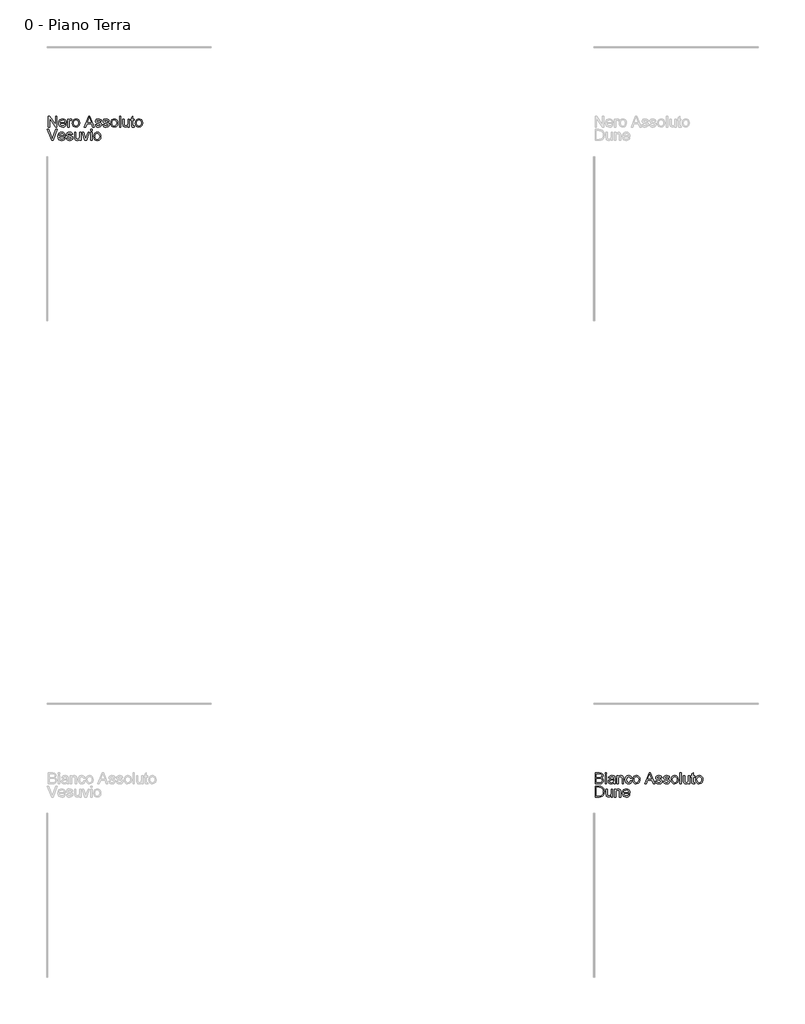
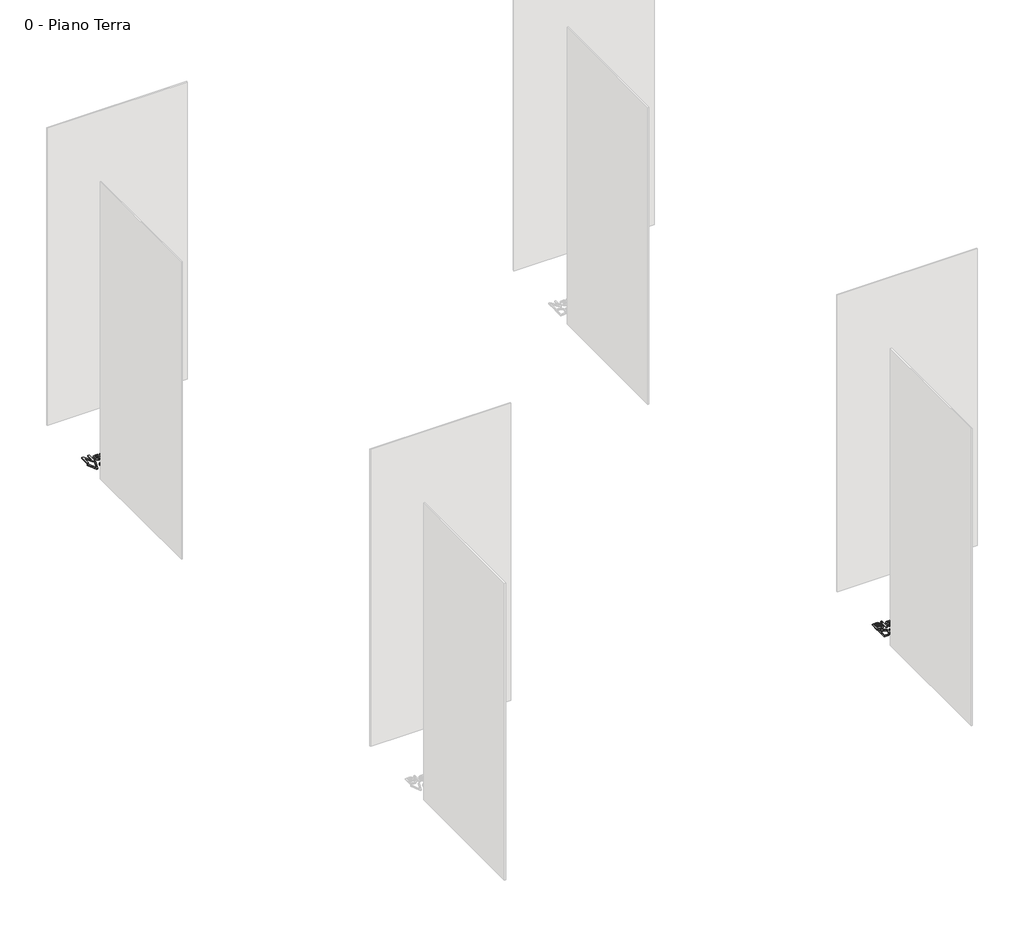
# One storey, part 17 of 35: 2 proxies.
"""IFC4 building model written with IfcOpenShell, lengths in millimetres."""

from ifc_helpers import new_model, si_unit, origin, origin_with_axes, place, context, project, spatial, polyline, outline, extrude, element, save

model = new_model("IFC4")

# Units and contexts
model_context = context("Model", 3, world=origin())
ifc_project = project(units=[si_unit("LENGTHUNIT", "METRE", prefix="MILLI")], contexts=[model_context])

# Site, building, storey
site = spatial("IfcSite", under=ifc_project)
building = spatial("IfcBuilding", under=site)
storey = spatial("IfcBuildingStorey", under=building, Name="0 - Piano Terra", Elevation=0.0)

# Proxies
placement = place(None, origin())
element("IfcBuildingElementProxy", 1, Name="Testo modello 1", ObjectType="Testo modello 1", at=placement, inside=storey, context=model_context, shape_type="SweptSolid", body=[
    extrude(outline(polyline([(-7268.2707509, -273.7592352), (-7268.2707509, -173.302925), (-7254.8307954, -173.302925), (-7202.3462974, -252.8880633), (-7202.3462974, -173.302925), (-7189.7892586, -173.302925), (-7189.7892586, -273.7592352), (-7203.2292142, -273.7592352), (-7255.7137122, -194.1495714), (-7255.7137122, -273.7592352), (-7268.2707509, -273.7592352)])), origin_with_axes(), (0.0, 0.0, 1.0), 10.0),
    extrude(outline(polyline([(-7117.7334385, -251.7844173), (-7105.4216544, -253.3540472), (-7109.8576981, -262.6308048), (-7116.9363608, -269.5653804), (-7126.498227, -273.8879938), (-7138.3838812, -275.328865), (-7153.1175551, -272.8425958), (-7164.4544519, -265.3837884), (-7171.6833331, -253.4368206), (-7174.0929602, -237.4860704), (-7171.6588076, -220.9988257), (-7164.35635, -208.6686475), (-7153.1727374, -200.9799138), (-7139.0951197, -198.4170025), (-7125.4558947, -200.9737824), (-7114.5573906, -208.644122), (-7107.4112829, -220.9497747), (-7105.0292469, -237.412494), (-7105.1028233, -240.7970084), (-7161.5359214, -240.7970084), (-7159.3623519, -250.1963934), (-7154.3131716, -257.1064435), (-7147.0260424, -261.3554805), (-7138.1386265, -262.7718262), (-7125.8268424, -260.1476013), (-7117.7334385, -251.7844173)]), holes=[polyline([(-7161.5359214, -228.2399696), (-7117.5862857, -228.2399696), (-7122.6140063, -216.8601532), (-7129.934858, -212.4455693), (-7139.1441706, -210.9740413), (-7154.6074771, -215.6706681), (-7159.4727165, -221.1613069), (-7161.5359214, -228.2399696)])]), origin_with_axes(), (0.0, 0.0, 1.0), 10.0),
    extrude(outline(polyline([(-7092.4722082, -273.7592352), (-7092.4722082, -199.9866324), (-7081.4847992, -199.9866324), (-7081.4847992, -210.9004649), (-7073.6857009, -200.8450237), (-7065.8375517, -198.4170025), (-7053.231462, -202.2920262), (-7057.4253168, -213.5492153), (-7066.2544846, -210.9740413), (-7073.3546071, -213.4511134), (-7077.8795557, -220.318244), (-7079.9151694, -234.9844729), (-7079.9151694, -273.7592352), (-7092.4722082, -273.7592352)])), origin_with_axes(), (0.0, 0.0, 1.0), 10.0),
    extrude(outline(polyline([(-7048.5225725, -236.8729338), (-7045.8063771, -219.0858393), (-7037.6577909, -206.5839828), (-7027.5900869, -200.4587476), (-7015.5358202, -198.4170025), (-7002.344185, -200.9032717), (-6991.8074315, -208.3620791), (-6984.9004471, -220.2048137), (-6982.5981189, -235.8428642), (-6986.6693463, -258.185564), (-6998.5274093, -270.8284419), (-7015.5358202, -275.328865), (-7028.886871, -272.8517929), (-7039.4113617, -265.4205766), (-7046.2447698, -253.3295217), (-7048.5225725, -236.8729338)]), holes=[polyline([(-7035.9655337, -236.8484083), (-7034.5123998, -248.2128963), (-7030.1529982, -256.3093658), (-7023.5924359, -261.1562111), (-7015.5358202, -262.7718262), (-7007.5159927, -261.1470141), (-7000.9676932, -256.2725776), (-6996.6082916, -248.0688092), (-6995.1551577, -236.4560008), (-6996.6174886, -225.4226067), (-7001.0044814, -217.4365017), (-7007.561978, -212.5896564), (-7015.5358202, -210.9740413), (-7023.5924359, -212.583525), (-7030.1529982, -217.4119762), (-7034.5123998, -225.4900517), (-7035.9655337, -236.8484083)])]), origin_with_axes(), (0.0, 0.0, 1.0), 10.0),
    extrude(outline(polyline([(-6939.3597218, -273.7592352), (-6899.2605843, -173.302925), (-6888.567481, -173.302925), (-6848.4683435, -273.7592352), (-6861.7366208, -273.7592352), (-6873.2390645, -242.3666382), (-6914.6135262, -242.3666382), (-6926.0914445, -273.7592352), (-6939.3597218, -273.7592352)]), holes=[polyline([(-6910.0027386, -229.8095995), (-6877.8253267, -229.8095995), (-6886.8752238, -205.1124549), (-6893.9140326, -185.8599638), (-6900.1680266, -202.9542138), (-6910.0027386, -229.8095995)])]), origin_with_axes(), (0.0, 0.0, 1.0), 10.0),
    extrude(outline(polyline([(-6841.3314328, -251.7844173), (-6828.774394, -250.2147875), (-6822.9618585, -259.5344647), (-6809.6445303, -262.7718262), (-6796.8422368, -259.8042448), (-6792.6729076, -252.8390124), (-6796.8667623, -247.1981551), (-6809.7916831, -243.617437), (-6828.7008176, -237.4738077), (-6836.953637, -230.3001088), (-6839.7618029, -220.1710912), (-6837.50546, -210.8146258), (-6831.349568, -203.6654523), (-6823.3665287, -199.9498442), (-6812.5630608, -198.4170025), (-6797.2836952, -200.8818119), (-6787.5716106, -207.5527388), (-6783.2551285, -218.8221905), (-6795.8121673, -220.3918204), (-6800.5333195, -213.4633761), (-6811.5820421, -210.9740413), (-6823.5995206, -213.3530115), (-6827.2047642, -218.8957669), (-6825.7087107, -222.5500614), (-6821.0243467, -225.3214391), (-6810.208616, -227.994715), (-6791.777728, -233.9053523), (-6783.2183403, -240.6008047), (-6780.1158688, -251.5146372), (-6783.7579005, -263.5321157), (-6794.2670629, -272.250919), (-6809.8162085, -275.328865), (-6822.4774805, -273.8450743), (-6831.71745, -269.3937021), (-6837.8856048, -262.0237995), (-6841.3314328, -251.7844173)])), origin_with_axes(), (0.0, 0.0, 1.0), 10.0),
    extrude(outline(polyline([(-6770.6980897, -251.7844173), (-6758.1410509, -250.2147875), (-6752.3285154, -259.5344647), (-6739.0111872, -262.7718262), (-6726.2088938, -259.8042448), (-6722.0395645, -252.8390124), (-6726.2334192, -247.1981551), (-6739.15834, -243.617437), (-6758.0674745, -237.4738077), (-6766.320294, -230.3001088), (-6769.1284599, -220.1710912), (-6766.872117, -210.8146258), (-6760.7162249, -203.6654523), (-6752.7331856, -199.9498442), (-6741.9297177, -198.4170025), (-6726.6503522, -200.8818119), (-6716.9382675, -207.5527388), (-6712.6217854, -218.8221905), (-6725.1788242, -220.3918204), (-6729.8999764, -213.4633761), (-6740.948699, -210.9740413), (-6752.9661775, -213.3530115), (-6756.5714211, -218.8957669), (-6755.0753677, -222.5500614), (-6750.3910036, -225.3214391), (-6739.5752729, -227.994715), (-6721.144385, -233.9053523), (-6712.5849972, -240.6008047), (-6709.4825257, -251.5146372), (-6713.1245575, -263.5321157), (-6723.6337198, -272.250919), (-6739.1828655, -275.328865), (-6751.8441375, -273.8450743), (-6761.0841069, -269.3937021), (-6767.2522617, -262.0237995), (-6770.6980897, -251.7844173)])), origin_with_axes(), (0.0, 0.0, 1.0), 10.0),
    extrude(outline(polyline([(-6698.4951168, -236.8729338), (-6695.7789214, -219.0858393), (-6687.6303352, -206.5839828), (-6677.5626313, -200.4587476), (-6665.5083646, -198.4170025), (-6652.3167293, -200.9032717), (-6641.7799759, -208.3620791), (-6634.8729914, -220.2048137), (-6632.5706633, -235.8428642), (-6636.6418907, -258.185564), (-6648.4999537, -270.8284419), (-6665.5083646, -275.328865), (-6678.8594153, -272.8517929), (-6689.383906, -265.4205766), (-6696.2173141, -253.3295217), (-6698.4951168, -236.8729338)]), holes=[polyline([(-6685.938078, -236.8484083), (-6684.4849441, -248.2128963), (-6680.1255425, -256.3093658), (-6673.5649803, -261.1562111), (-6665.5083646, -262.7718262), (-6657.4885371, -261.1470141), (-6650.9402376, -256.2725776), (-6646.5808359, -248.0688092), (-6645.127702, -236.4560008), (-6646.590033, -225.4226067), (-6650.9770258, -217.4365017), (-6657.5345223, -212.5896564), (-6665.5083646, -210.9740413), (-6673.5649803, -212.583525), (-6680.1255425, -217.4119762), (-6684.4849441, -225.4900517), (-6685.938078, -236.8484083)])]), origin_with_axes(), (0.0, 0.0, 1.0), 10.0),
    extrude(outline(polyline([(-6618.4439946, -273.7592352), (-6618.4439946, -173.302925), (-6605.8869559, -173.302925), (-6605.8869559, -273.7592352), (-6618.4439946, -273.7592352)])), origin_with_axes(), (0.0, 0.0, 1.0), 10.0),
    extrude(outline(polyline([(-6539.9625023, -273.7592352), (-6539.9625023, -261.0795691), (-6549.7972143, -271.766541), (-6562.6240332, -275.328865), (-6574.4330453, -272.8272674), (-6582.5755001, -266.548748), (-6586.3156337, -257.3026472), (-6587.0513977, -245.6285253), (-6587.0513977, -199.9866324), (-6574.494359, -199.9866324), (-6574.494359, -239.7178879), (-6573.7340695, -252.5201813), (-6568.7676626, -260.0372367), (-6559.4111972, -262.7718262), (-6548.9265603, -259.9759231), (-6541.998116, -252.3607658), (-6539.9625023, -238.3689872), (-6539.9625023, -199.9866324), (-6527.4054636, -199.9866324), (-6527.4054636, -273.7592352), (-6539.9625023, -273.7592352)])), origin_with_axes(), (0.0, 0.0, 1.0), 10.0),
    extrude(outline(polyline([(-6483.4558279, -263.286861), (-6481.886198, -274.1271171), (-6491.2794516, -275.328865), (-6501.8008767, -273.2442004), (-6507.0493265, -267.7750214), (-6508.5699054, -253.5257254), (-6508.5699054, -212.5436712), (-6517.9876845, -212.5436712), (-6517.9876845, -199.9866324), (-6508.5699054, -199.9866324), (-6508.5699054, -182.0585165), (-6496.0128666, -174.6763511), (-6496.0128666, -199.9866324), (-6483.4558279, -199.9866324), (-6483.4558279, -212.5436712), (-6496.0128666, -212.5436712), (-6496.0128666, -253.1578434), (-6495.3506791, -259.6325665), (-6493.2047008, -261.9256976), (-6488.9250069, -262.7718262), (-6483.4558279, -263.286861)])), origin_with_axes(), (0.0, 0.0, 1.0), 10.0),
    extrude(outline(polyline([(-6474.0380488, -236.8729338), (-6471.3218534, -219.0858393), (-6463.1732672, -206.5839828), (-6453.1055633, -200.4587476), (-6441.0512966, -198.4170025), (-6427.8596614, -200.9032717), (-6417.3229079, -208.3620791), (-6410.4159234, -220.2048137), (-6408.1135953, -235.8428642), (-6412.1848227, -258.185564), (-6424.0428857, -270.8284419), (-6441.0512966, -275.328865), (-6454.4023473, -272.8517929), (-6464.9268381, -265.4205766), (-6471.7602461, -253.3295217), (-6474.0380488, -236.8729338)]), holes=[polyline([(-6461.48101, -236.8484083), (-6460.0278762, -248.2128963), (-6455.6684745, -256.3093658), (-6449.1079123, -261.1562111), (-6441.0512966, -262.7718262), (-6433.0314691, -261.1470141), (-6426.4831696, -256.2725776), (-6422.1237679, -248.0688092), (-6420.670634, -236.4560008), (-6422.132965, -225.4226067), (-6426.5199578, -217.4365017), (-6433.0774543, -212.5896564), (-6441.0512966, -210.9740413), (-6449.1079123, -212.583525), (-6455.6684745, -217.4119762), (-6460.0278762, -225.4900517), (-6461.48101, -236.8484083)])]), origin_with_axes(), (0.0, 0.0, 1.0), 10.0),
    extrude(outline(polyline([(-7238.5949366, -395.734053), (-7278.5714468, -295.2777428), (-7265.1314912, -295.2777428), (-7238.3742074, -367.652394), (-7232.9540794, -383.9618292), (-7227.6075277, -367.652394), (-7200.7766675, -295.2777428), (-7187.336712, -295.2777428), (-7225.620965, -395.734053), (-7238.5949366, -395.734053)])), origin_with_axes(), (0.0, 0.0, 1.0), 10.0),
    extrude(outline(polyline([(-7125.5815877, -373.7592352), (-7113.2698036, -375.328865), (-7117.7058473, -384.6056226), (-7124.7845101, -391.5401983), (-7134.3463763, -395.8628117), (-7146.2320304, -397.3036828), (-7160.9657043, -394.8174137), (-7172.3026011, -387.3586062), (-7179.5314823, -375.4116384), (-7181.9411094, -359.4608883), (-7179.5069569, -342.9736435), (-7172.2044993, -330.6434653), (-7161.0208866, -322.9547316), (-7146.9432689, -320.3918204), (-7133.3040439, -322.9486003), (-7122.4055398, -330.6189399), (-7115.2594321, -342.9245926), (-7112.8773962, -359.3873119), (-7112.9509726, -362.7718262), (-7169.3840706, -362.7718262), (-7167.2105012, -372.1712112), (-7162.1613208, -379.0812613), (-7154.8741916, -383.3302984), (-7145.9867757, -384.7466441), (-7133.6749916, -382.1224192), (-7125.5815877, -373.7592352)]), holes=[polyline([(-7169.3840706, -350.2147875), (-7125.4344349, -350.2147875), (-7130.4621555, -338.8349711), (-7137.7830072, -334.4203871), (-7146.9923198, -332.9488592), (-7162.4556264, -337.645486), (-7167.3208658, -343.1361247), (-7169.3840706, -350.2147875)])]), origin_with_axes(), (0.0, 0.0, 1.0), 10.0),
    extrude(outline(polyline([(-7105.0292469, -373.7592352), (-7092.4722082, -372.1896053), (-7086.6596726, -381.5092825), (-7073.3423444, -384.7466441), (-7060.540051, -381.7790626), (-7056.3707217, -374.8138302), (-7060.5645764, -369.1729729), (-7073.4894972, -365.5922549), (-7092.3986318, -359.4486255), (-7100.6514512, -352.2749266), (-7103.4596171, -342.145909), (-7101.2032742, -332.7894436), (-7095.0473821, -325.6402702), (-7087.0643428, -321.924662), (-7076.2608749, -320.3918204), (-7060.9815094, -322.8566298), (-7051.2694247, -329.5275566), (-7046.9529426, -340.7970084), (-7059.5099814, -342.3666382), (-7064.2311337, -335.438194), (-7075.2798563, -332.9488592), (-7087.2973348, -335.3278294), (-7090.9025783, -340.8705848), (-7089.4065249, -344.5248793), (-7084.7221608, -347.296257), (-7073.9064301, -349.9695328), (-7055.4755422, -355.8801702), (-7046.9161544, -362.5756225), (-7043.8136829, -373.489455), (-7047.4557147, -385.5069335), (-7057.964877, -394.2257368), (-7073.5140227, -397.3036828), (-7086.1752947, -395.8198921), (-7095.4152641, -391.36852), (-7101.5834189, -383.9986174), (-7105.0292469, -373.7592352)])), origin_with_axes(), (0.0, 0.0, 1.0), 10.0),
    extrude(outline(polyline([(-6982.5981189, -395.734053), (-6982.5981189, -383.0543869), (-6992.4328309, -393.7413589), (-7005.2596498, -397.3036828), (-7017.0686619, -394.8020853), (-7025.2111167, -388.5235659), (-7028.9512503, -379.2774651), (-7029.6870143, -367.6033431), (-7029.6870143, -321.9614502), (-7017.1299756, -321.9614502), (-7017.1299756, -361.6927057), (-7016.3696861, -374.4949991), (-7011.4032792, -382.0120546), (-7002.0468137, -384.7466441), (-6991.5621769, -381.9507409), (-6984.6337326, -374.3355836), (-6982.5981189, -360.3438051), (-6982.5981189, -321.9614502), (-6970.0410802, -321.9614502), (-6970.0410802, -395.734053), (-6982.5981189, -395.734053)])), origin_with_axes(), (0.0, 0.0, 1.0), 10.0),
    extrude(outline(polyline([(-6934.6753577, -395.734053), (-6960.6233011, -321.9614502), (-6947.3304983, -321.9614502), (-6931.6096744, -366.1563406), (-6926.8762594, -381.0187732), (-6922.2409463, -366.9902064), (-6906.4220205, -321.9614502), (-6893.1292177, -321.9614502), (-6918.75833, -395.734053), (-6934.6753577, -395.734053)])), origin_with_axes(), (0.0, 0.0, 1.0), 10.0),
    extrude(outline(polyline([(-6882.1418088, -307.8347816), (-6882.1418088, -295.2777428), (-6869.58477, -295.2777428), (-6869.58477, -307.8347816), (-6882.1418088, -307.8347816)])), origin_with_axes(), (0.0, 0.0, 1.0), 10.0),
    extrude(outline(polyline([(-6882.1418088, -395.734053), (-6882.1418088, -321.9614502), (-6869.58477, -321.9614502), (-6869.58477, -395.734053), (-6882.1418088, -395.734053)])), origin_with_axes(), (0.0, 0.0, 1.0), 10.0),
    extrude(outline(polyline([(-6853.8884716, -358.8477516), (-6851.1722762, -341.0606571), (-6843.02369, -328.5588007), (-6832.955986, -322.4335655), (-6820.9017193, -320.3918204), (-6807.7100841, -322.8780895), (-6797.1733306, -330.336897), (-6790.2663462, -342.1796315), (-6787.964018, -357.817682), (-6792.0352454, -380.1603819), (-6803.8933084, -392.8032598), (-6820.9017193, -397.3036828), (-6834.2527701, -394.8266107), (-6844.7772608, -387.3953944), (-6851.6106689, -375.3043395), (-6853.8884716, -358.8477516)]), holes=[polyline([(-6841.3314328, -358.8232261), (-6839.8782989, -370.1877141), (-6835.5188973, -378.2841837), (-6828.958335, -383.131029), (-6820.9017193, -384.7466441), (-6812.8818918, -383.1218319), (-6806.3335923, -378.2473955), (-6801.9741907, -370.043627), (-6800.5210568, -358.4308187), (-6801.9833877, -347.3974245), (-6806.3703805, -339.4113195), (-6812.9278771, -334.5644742), (-6820.9017193, -332.9488592), (-6828.958335, -334.5583429), (-6835.5188973, -339.3867941), (-6839.8782989, -347.4648695), (-6841.3314328, -358.8232261)])]), origin_with_axes(), (0.0, 0.0, 1.0), 10.0),
])
element("IfcBuildingElementProxy", 2, Name="Testo modello 1", ObjectType="Testo modello 1", at=placement, inside=storey, context=model_context, shape_type="SweptSolid", body=[
    extrude(outline(polyline([(-2268.2707509, -6273.7592352), (-2268.2707509, -6173.302925), (-2229.937447, -6173.302925), (-2211.1632025, -6176.2582437), (-2200.0776918, -6185.344929), (-2196.067778, -6198.1962733), (-2199.4400296, -6209.931709), (-2209.6303609, -6218.8221905), (-2197.2572631, -6228.1909187), (-2192.9285183, -6243.8136407), (-2195.883837, -6257.31491), (-2203.2046887, -6266.9288928), (-2214.130784, -6272.0301898), (-2230.2317526, -6273.7592352), (-2268.2707509, -6273.7592352)]), holes=[polyline([(-2255.7137122, -6214.113301), (-2232.7824011, -6214.113301), (-2219.3914965, -6213.0341805), (-2211.3348808, -6208.3866046), (-2208.6248168, -6200.2073616), (-2211.1509398, -6192.0158558), (-2218.3859524, -6187.1720762), (-2234.5237092, -6185.8599638), (-2255.7137122, -6185.8599638), (-2255.7137122, -6214.113301)]), polyline([(-2255.7137122, -6261.2021964), (-2229.9619725, -6261.2021964), (-2220.6422953, -6260.7116871), (-2212.7573579, -6257.9770976), (-2207.5334335, -6252.397554), (-2205.4855571, -6243.9362681), (-2207.8890528, -6234.1751325), (-2215.6758883, -6228.3503342), (-2231.1882458, -6226.6703398), (-2255.7137122, -6226.6703398), (-2255.7137122, -6261.2021964)])]), origin_with_axes(), (0.0, 0.0, 1.0), 10.0),
    extrude(outline(polyline([(-2177.2322199, -6185.8599638), (-2177.2322199, -6173.302925), (-2164.6751811, -6173.302925), (-2164.6751811, -6185.8599638), (-2177.2322199, -6185.8599638)])), origin_with_axes(), (0.0, 0.0, 1.0), 10.0),
    extrude(outline(polyline([(-2177.2322199, -6273.7592352), (-2177.2322199, -6199.9866324), (-2164.6751811, -6199.9866324), (-2164.6751811, -6273.7592352), (-2177.2322199, -6273.7592352)])), origin_with_axes(), (0.0, 0.0, 1.0), 10.0),
    extrude(outline(polyline([(-2098.7507275, -6264.3414561), (-2110.9276216, -6272.8517929), (-2124.3798399, -6275.328865), (-2134.8736738, -6273.8389429), (-2142.6145241, -6269.3691767), (-2147.387793, -6262.5817539), (-2148.9788826, -6254.1388621), (-2146.5753869, -6244.2060482), (-2140.2600793, -6236.9955611), (-2131.4676997, -6232.8752828), (-2120.6029181, -6230.9868218), (-2098.8243039, -6226.6703398), (-2098.7507275, -6223.8744366), (-2102.2088183, -6214.6038103), (-2116.0902323, -6210.9740413), (-2128.7944238, -6213.3897997), (-2134.852214, -6221.9614502), (-2147.4092528, -6220.3918204), (-2141.976862, -6208.1290872), (-2131.038504, -6200.9431256), (-2114.4715515, -6198.4170025), (-2099.2534996, -6200.64882), (-2090.6573237, -6206.252889), (-2086.8068254, -6214.7754886), (-2086.1936888, -6225.7628975), (-2086.1936888, -6241.3856196), (-2085.5560267, -6263.2010219), (-2083.0544291, -6273.7592352), (-2095.6114679, -6273.7592352), (-2098.7507275, -6264.3414561)]), holes=[polyline([(-2098.7507275, -6239.2273785), (-2119.0087627, -6243.0778768), (-2129.8122307, -6245.1134905), (-2134.7050612, -6248.4244284), (-2136.4218439, -6253.2559453), (-2132.6817102, -6260.0494995), (-2121.706564, -6262.7718262), (-2109.0023725, -6259.7674566), (-2100.8108667, -6252.4956558), (-2098.8243039, -6242.7835712), (-2098.7507275, -6239.2273785)])]), origin_with_axes(), (0.0, 0.0, 1.0), 10.0),
    extrude(outline(polyline([(-2068.9277605, -6273.7592352), (-2068.9277605, -6199.9866324), (-2056.3707217, -6199.9866324), (-2056.3707217, -6210.2873283), (-2046.7690016, -6201.384584), (-2033.6601399, -6198.4170025), (-2021.8020769, -6200.8082355), (-2013.708673, -6207.0867549), (-2009.9440139, -6216.320593), (-2009.2818263, -6228.4606988), (-2009.2818263, -6273.7592352), (-2021.8388651, -6273.7592352), (-2021.8388651, -6230.152956), (-2023.2858676, -6219.0429197), (-2028.3994273, -6213.1690705), (-2037.0201288, -6210.9740413), (-2050.6440253, -6215.90366), (-2054.9390476, -6223.0467021), (-2056.3707217, -6234.6165909), (-2056.3707217, -6273.7592352), (-2068.9277605, -6273.7592352)])), origin_with_axes(), (0.0, 0.0, 1.0), 10.0),
    extrude(outline(polyline([(-1944.9270026, -6247.0755278), (-1932.3699639, -6248.6451576), (-1935.8709742, -6259.8134419), (-1942.4499305, -6268.253268), (-1951.4875649, -6273.5599657), (-1962.3646092, -6275.328865), (-1975.7217913, -6272.8609899), (-1986.1665743, -6265.4573648), (-1992.9080119, -6253.442952), (-1995.1551577, -6237.1427139), (-1991.3169222, -6216.2838048), (-1979.6182748, -6202.8806374), (-1962.5362875, -6198.4170025), (-1951.9259576, -6199.9498442), (-1943.4432119, -6204.5483691), (-1937.3578306, -6211.9673227), (-1933.9395937, -6221.9614502), (-1946.4966325, -6223.5310801), (-1952.3214307, -6214.1255637), (-1962.4381856, -6210.9740413), (-1970.5530493, -6212.5252771), (-1976.9940499, -6217.1789843), (-1981.1971017, -6225.1865491), (-1982.5981189, -6236.7993574), (-1981.2277585, -6248.5685155), (-1977.1166772, -6256.6036714), (-1970.7921726, -6261.2297875), (-1962.7815421, -6262.7718262), (-1950.9480046, -6258.921328), (-1944.9270026, -6247.0755278)])), origin_with_axes(), (0.0, 0.0, 1.0), 10.0),
    extrude(outline(polyline([(-1924.5218146, -6236.8729338), (-1921.8056192, -6219.0858393), (-1913.657033, -6206.5839828), (-1903.5893291, -6200.4587476), (-1891.5350624, -6198.4170025), (-1878.3434272, -6200.9032717), (-1867.8066737, -6208.3620791), (-1860.8996892, -6220.2048137), (-1858.5973611, -6235.8428642), (-1862.6685885, -6258.185564), (-1874.5266515, -6270.8284419), (-1891.5350624, -6275.328865), (-1904.8861131, -6272.8517929), (-1915.4106039, -6265.4205766), (-1922.2440119, -6253.3295217), (-1924.5218146, -6236.8729338)]), holes=[polyline([(-1911.9647759, -6236.8484083), (-1910.511642, -6248.2128963), (-1906.1522403, -6256.3093658), (-1899.5916781, -6261.1562111), (-1891.5350624, -6262.7718262), (-1883.5152349, -6261.1470141), (-1876.9669354, -6256.2725776), (-1872.6075337, -6248.0688092), (-1871.1543999, -6236.4560008), (-1872.6167308, -6225.4226067), (-1877.0037236, -6217.4365017), (-1883.5612202, -6212.5896564), (-1891.5350624, -6210.9740413), (-1899.5916781, -6212.583525), (-1906.1522403, -6217.4119762), (-1910.511642, -6225.4900517), (-1911.9647759, -6236.8484083)])]), origin_with_axes(), (0.0, 0.0, 1.0), 10.0),
    extrude(outline(polyline([(-1815.3589639, -6273.7592352), (-1775.2598265, -6173.302925), (-1764.5667231, -6173.302925), (-1724.4675857, -6273.7592352), (-1737.7358629, -6273.7592352), (-1749.2383067, -6242.3666382), (-1790.6127684, -6242.3666382), (-1802.0906866, -6273.7592352), (-1815.3589639, -6273.7592352)]), holes=[polyline([(-1786.0019807, -6229.8095995), (-1753.8245689, -6229.8095995), (-1762.874466, -6205.1124549), (-1769.9132748, -6185.8599638), (-1776.1672687, -6202.9542138), (-1786.0019807, -6229.8095995)])]), origin_with_axes(), (0.0, 0.0, 1.0), 10.0),
    extrude(outline(polyline([(-1717.3306749, -6251.7844173), (-1704.7736362, -6250.2147875), (-1698.9611007, -6259.5344647), (-1685.6437724, -6262.7718262), (-1672.841479, -6259.8042448), (-1668.6721497, -6252.8390124), (-1672.8660045, -6247.1981551), (-1685.7909252, -6243.617437), (-1704.7000598, -6237.4738077), (-1712.9528792, -6230.3001088), (-1715.7610451, -6220.1710912), (-1713.5047022, -6210.8146258), (-1707.3488101, -6203.6654523), (-1699.3657708, -6199.9498442), (-1688.5623029, -6198.4170025), (-1673.2829374, -6200.8818119), (-1663.5708527, -6207.5527388), (-1659.2543706, -6218.8221905), (-1671.8114094, -6220.3918204), (-1676.5325617, -6213.4633761), (-1687.5812843, -6210.9740413), (-1699.5987628, -6213.3530115), (-1703.2040063, -6218.8957669), (-1701.7079529, -6222.5500614), (-1697.0235888, -6225.3214391), (-1686.2078582, -6227.994715), (-1667.7769702, -6233.9053523), (-1659.2175824, -6240.6008047), (-1656.115111, -6251.5146372), (-1659.7571427, -6263.5321157), (-1670.266305, -6272.250919), (-1685.8154507, -6275.328865), (-1698.4767227, -6273.8450743), (-1707.7166921, -6269.3937021), (-1713.8848469, -6262.0237995), (-1717.3306749, -6251.7844173)])), origin_with_axes(), (0.0, 0.0, 1.0), 10.0),
    extrude(outline(polyline([(-1646.6973319, -6251.7844173), (-1634.1402931, -6250.2147875), (-1628.3277576, -6259.5344647), (-1615.0104294, -6262.7718262), (-1602.2081359, -6259.8042448), (-1598.0388066, -6252.8390124), (-1602.2326614, -6247.1981551), (-1615.1575822, -6243.617437), (-1634.0667167, -6237.4738077), (-1642.3195361, -6230.3001088), (-1645.127702, -6220.1710912), (-1642.8713591, -6210.8146258), (-1636.7154671, -6203.6654523), (-1628.7324278, -6199.9498442), (-1617.9289599, -6198.4170025), (-1602.6495943, -6200.8818119), (-1592.9375096, -6207.5527388), (-1588.6210276, -6218.8221905), (-1601.1780663, -6220.3918204), (-1605.8992186, -6213.4633761), (-1616.9479412, -6210.9740413), (-1628.9654197, -6213.3530115), (-1632.5706633, -6218.8957669), (-1631.0746098, -6222.5500614), (-1626.3902457, -6225.3214391), (-1615.5745151, -6227.994715), (-1597.1436271, -6233.9053523), (-1588.5842394, -6240.6008047), (-1585.4817679, -6251.5146372), (-1589.1237996, -6263.5321157), (-1599.632962, -6272.250919), (-1615.1821076, -6275.328865), (-1627.8433796, -6273.8450743), (-1637.0833491, -6269.3937021), (-1643.2515039, -6262.0237995), (-1646.6973319, -6251.7844173)])), origin_with_axes(), (0.0, 0.0, 1.0), 10.0),
    extrude(outline(polyline([(-1574.494359, -6236.8729338), (-1571.7781636, -6219.0858393), (-1563.6295774, -6206.5839828), (-1553.5618734, -6200.4587476), (-1541.5076067, -6198.4170025), (-1528.3159715, -6200.9032717), (-1517.779218, -6208.3620791), (-1510.8722336, -6220.2048137), (-1508.5699054, -6235.8428642), (-1512.6411328, -6258.185564), (-1524.4991958, -6270.8284419), (-1541.5076067, -6275.328865), (-1554.8586575, -6272.8517929), (-1565.3831482, -6265.4205766), (-1572.2165563, -6253.3295217), (-1574.494359, -6236.8729338)]), holes=[polyline([(-1561.9373202, -6236.8484083), (-1560.4841863, -6248.2128963), (-1556.1247847, -6256.3093658), (-1549.5642224, -6261.1562111), (-1541.5076067, -6262.7718262), (-1533.4877792, -6261.1470141), (-1526.9394797, -6256.2725776), (-1522.5800781, -6248.0688092), (-1521.1269442, -6236.4560008), (-1522.5892751, -6225.4226067), (-1526.9762679, -6217.4365017), (-1533.5337645, -6212.5896564), (-1541.5076067, -6210.9740413), (-1549.5642224, -6212.583525), (-1556.1247847, -6217.4119762), (-1560.4841863, -6225.4900517), (-1561.9373202, -6236.8484083)])]), origin_with_axes(), (0.0, 0.0, 1.0), 10.0),
    extrude(outline(polyline([(-1494.4432368, -6273.7592352), (-1494.4432368, -6173.302925), (-1481.886198, -6173.302925), (-1481.886198, -6273.7592352), (-1494.4432368, -6273.7592352)])), origin_with_axes(), (0.0, 0.0, 1.0), 10.0),
    extrude(outline(polyline([(-1415.9617445, -6273.7592352), (-1415.9617445, -6261.0795691), (-1425.7964565, -6271.766541), (-1438.6232754, -6275.328865), (-1450.4322874, -6272.8272674), (-1458.5747423, -6266.548748), (-1462.3148759, -6257.3026472), (-1463.0506399, -6245.6285253), (-1463.0506399, -6199.9866324), (-1450.4936011, -6199.9866324), (-1450.4936011, -6239.7178879), (-1449.7333117, -6252.5201813), (-1444.7669047, -6260.0372367), (-1435.4104393, -6262.7718262), (-1424.9258024, -6259.9759231), (-1417.9973582, -6252.3607658), (-1415.9617445, -6238.3689872), (-1415.9617445, -6199.9866324), (-1403.4047057, -6199.9866324), (-1403.4047057, -6273.7592352), (-1415.9617445, -6273.7592352)])), origin_with_axes(), (0.0, 0.0, 1.0), 10.0),
    extrude(outline(polyline([(-1359.45507, -6263.286861), (-1357.8854402, -6274.1271171), (-1367.2786938, -6275.328865), (-1377.8001189, -6273.2442004), (-1383.0485687, -6267.7750214), (-1384.5691476, -6253.5257254), (-1384.5691476, -6212.5436712), (-1393.9869267, -6212.5436712), (-1393.9869267, -6199.9866324), (-1384.5691476, -6199.9866324), (-1384.5691476, -6182.0585165), (-1372.0121088, -6174.6763511), (-1372.0121088, -6199.9866324), (-1359.45507, -6199.9866324), (-1359.45507, -6212.5436712), (-1372.0121088, -6212.5436712), (-1372.0121088, -6253.1578434), (-1371.3499212, -6259.6325665), (-1369.2039429, -6261.9256976), (-1364.924249, -6262.7718262), (-1359.45507, -6263.286861)])), origin_with_axes(), (0.0, 0.0, 1.0), 10.0),
    extrude(outline(polyline([(-1350.037291, -6236.8729338), (-1347.3210956, -6219.0858393), (-1339.1725094, -6206.5839828), (-1329.1048054, -6200.4587476), (-1317.0505387, -6198.4170025), (-1303.8589035, -6200.9032717), (-1293.32215, -6208.3620791), (-1286.4151656, -6220.2048137), (-1284.1128374, -6235.8428642), (-1288.1840648, -6258.185564), (-1300.0421278, -6270.8284419), (-1317.0505387, -6275.328865), (-1330.4015895, -6272.8517929), (-1340.9260802, -6265.4205766), (-1347.7594883, -6253.3295217), (-1350.037291, -6236.8729338)]), holes=[polyline([(-1337.4802522, -6236.8484083), (-1336.0271183, -6248.2128963), (-1331.6677167, -6256.3093658), (-1325.1071544, -6261.1562111), (-1317.0505387, -6262.7718262), (-1309.0307112, -6261.1470141), (-1302.4824117, -6256.2725776), (-1298.1230101, -6248.0688092), (-1296.6698762, -6236.4560008), (-1298.1322071, -6225.4226067), (-1302.5191999, -6217.4365017), (-1309.0766965, -6212.5896564), (-1317.0505387, -6210.9740413), (-1325.1071544, -6212.583525), (-1331.6677167, -6217.4119762), (-1336.0271183, -6225.4900517), (-1337.4802522, -6236.8484083)])]), origin_with_axes(), (0.0, 0.0, 1.0), 10.0),
    extrude(outline(polyline([(-2268.2707509, -6395.734053), (-2268.2707509, -6295.2777428), (-2233.616267, -6295.2777428), (-2215.6881511, -6296.7247454), (-2200.9238203, -6303.910707), (-2189.0289692, -6321.0785334), (-2185.0803691, -6344.9663377), (-2187.7536449, -6365.2366356), (-2194.6207755, -6379.8660763), (-2203.7932999, -6388.977287), (-2215.7985157, -6394.0172704), (-2231.9485353, -6395.734053), (-2268.2707509, -6395.734053)]), holes=[polyline([(-2255.7137122, -6383.1770142), (-2233.4936396, -6383.1770142), (-2217.3313573, -6381.3621297), (-2208.0116801, -6376.2363073), (-2200.3719973, -6363.7651076), (-2197.6374079, -6344.7701339), (-2198.9771114, -6331.0849237), (-2202.9962222, -6320.9804316), (-2216.0315076, -6309.8458699), (-2233.8369962, -6307.8347816), (-2255.7137122, -6307.8347816), (-2255.7137122, -6383.1770142)])]), origin_with_axes(), (0.0, 0.0, 1.0), 10.0),
    extrude(outline(polyline([(-2122.2951752, -6395.734053), (-2122.2951752, -6383.0543869), (-2132.1298872, -6393.7413589), (-2144.9567061, -6397.3036828), (-2156.7657182, -6394.8020853), (-2164.908173, -6388.5235659), (-2168.6483066, -6379.2774651), (-2169.3840706, -6367.6033431), (-2169.3840706, -6321.9614502), (-2156.8270319, -6321.9614502), (-2156.8270319, -6361.6927057), (-2156.0667424, -6374.4949991), (-2151.1003355, -6382.0120546), (-2141.74387, -6384.7466441), (-2131.2592332, -6381.9507409), (-2124.3307889, -6374.3355836), (-2122.2951752, -6360.3438051), (-2122.2951752, -6321.9614502), (-2109.7381365, -6321.9614502), (-2109.7381365, -6395.734053), (-2122.2951752, -6395.734053)])), origin_with_axes(), (0.0, 0.0, 1.0), 10.0),
    extrude(outline(polyline([(-2092.4722082, -6395.734053), (-2092.4722082, -6321.9614502), (-2079.9151694, -6321.9614502), (-2079.9151694, -6332.2621461), (-2070.3134493, -6323.3594018), (-2057.2045876, -6320.3918204), (-2045.3465246, -6322.7830534), (-2037.2531207, -6329.0615727), (-2033.4884616, -6338.2954108), (-2032.826274, -6350.4355167), (-2032.826274, -6395.734053), (-2045.3833128, -6395.734053), (-2045.3833128, -6352.1277738), (-2046.8303153, -6341.0177376), (-2051.943875, -6335.1438884), (-2060.5645764, -6332.9488592), (-2074.188473, -6337.8784779), (-2078.4834953, -6345.02152), (-2079.9151694, -6356.5914087), (-2079.9151694, -6395.734053), (-2092.4722082, -6395.734053)])), origin_with_axes(), (0.0, 0.0, 1.0), 10.0),
    extrude(outline(polyline([(-1963.9097136, -6373.7592352), (-1951.5979295, -6375.328865), (-1956.0339732, -6384.6056226), (-1963.1126359, -6391.5401983), (-1972.6745021, -6395.8628117), (-1984.5601562, -6397.3036828), (-1999.2938302, -6394.8174137), (-2010.630727, -6387.3586062), (-2017.8596082, -6375.4116384), (-2020.2692352, -6359.4608883), (-2017.8350827, -6342.9736435), (-2010.5326251, -6330.6434653), (-1999.3490125, -6322.9547316), (-1985.2713948, -6320.3918204), (-1971.6321698, -6322.9486003), (-1960.7336657, -6330.6189399), (-1953.5875579, -6342.9245926), (-1951.205522, -6359.3873119), (-1951.2790984, -6362.7718262), (-2007.7121965, -6362.7718262), (-2005.538627, -6372.1712112), (-2000.4894466, -6379.0812613), (-1993.2023174, -6383.3302984), (-1984.3149016, -6384.7466441), (-1972.0031175, -6382.1224192), (-1963.9097136, -6373.7592352)]), holes=[polyline([(-2007.7121965, -6350.2147875), (-1963.7625608, -6350.2147875), (-1968.7902814, -6338.8349711), (-1976.1111331, -6334.4203871), (-1985.3204457, -6332.9488592), (-2000.7837522, -6337.645486), (-2005.6489916, -6343.1361247), (-2007.7121965, -6350.2147875)])]), origin_with_axes(), (0.0, 0.0, 1.0), 10.0),
])

save(model, "model.ifc")
